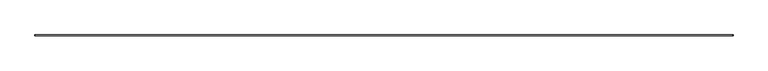
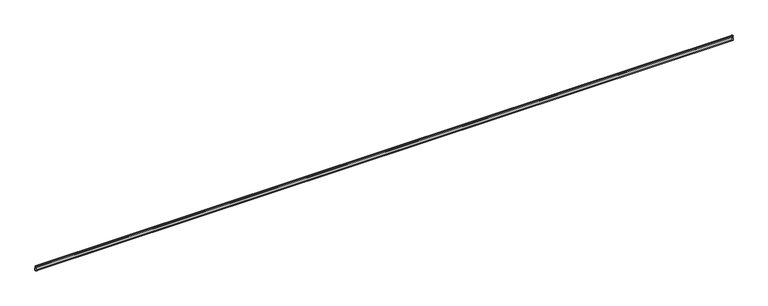
"""IFC4 building model written with IfcOpenShell, lengths in millimetres: railing geometry."""

from ifc_helpers import new_model, si_unit, frame, origin, place, context, project, spatial, polyline, circle_curve, ellipse_curve, source, transform, mapped, element, save
from ifc_brep_helpers import plane_surface, cylinder_surface, revolved_surface, advanced_brep


def railing_b92c5e37(model_context):
    return source(origin(), model_context, "Body", "AdvancedBrep", [
        advanced_brep(
        [(25093.6275934, 92138.7798369, 650.761873), (25089.4200358, 92138.7798369, 682.5854905), (25092.4530366, 92138.7798369, 688.7835358), (25075.4425121, 92138.7798369, 711.1645012), (25073.710694, 92138.7798369, 709.5835748), (25073.710694, 92138.7798369, 692.8509482), (25074.1756619, 92138.7798369, 691.7284163), (25074.8332259, 92138.7798369, 691.0708522), (25075.2981939, 92138.7798369, 689.9483203), (25075.2981939, 92138.7798369, 592.838452), (25074.8332259, 92138.7798369, 591.71592), (25074.1756619, 92138.7798369, 591.058356), (25073.710694, 92138.7798369, 589.9358241), (25073.710694, 92138.7798369, 573.1308887), (25075.2981939, 92138.7798369, 571.5433888), (25092.7606932, 92138.7798369, 571.5433888), (25094.3481932, 92138.7798369, 573.1308887), (25094.3481932, 92138.7798369, 649.4319707), (6765.7937945, 92138.7798369, 650.761873), (6765.0731947, 92138.7798369, 649.4319707), (6765.0731947, 92138.7798369, 573.1308887), (6766.6606947, 92138.7798369, 571.5433888), (6784.123194, 92138.7798369, 571.5433888), (6785.710694, 92138.7798369, 573.1308887), (6785.710694, 92138.7798369, 589.9358241), (6785.245726, 92138.7798369, 591.058356), (6784.588162, 92138.7798369, 591.71592), (6784.123194, 92138.7798369, 592.838452), (6784.123194, 92138.7798369, 689.9483203), (6784.588162, 92138.7798369, 691.0708522), (6785.245726, 92138.7798369, 691.7284163), (6785.710694, 92138.7798369, 692.8509482), (6785.710694, 92138.7798369, 709.5835748), (6783.9788758, 92138.7798369, 711.1645012), (6766.9683514, 92138.7798369, 688.7835358), (6770.0013521, 92138.7798369, 682.5854905), (25093.6275934, 92159.4904863, 650.761873), (25089.4200358, 92155.2829287, 682.5854905), (25092.4530366, 92158.3159295, 688.7835358), (25075.4425121, 92141.305405, 711.1645012), (25073.710694, 92139.5735869, 709.5835748), (25073.710694, 92139.5735869, 692.8509482), (25074.1756619, 92140.0385548, 691.7284163), (25074.8332259, 92140.6961188, 691.0708522), (25075.2981939, 92141.1610868, 689.9483203), (25075.2981939, 92141.1610868, 592.838452), (25074.8332259, 92140.6961188, 591.71592), (25074.1756619, 92140.0385548, 591.058356), (25073.710694, 92139.5735869, 589.9358241), (25073.710694, 92139.5735869, 573.1308887), (25075.2981939, 92141.1610868, 571.5433888), (25092.7606932, 92158.6235861, 571.5433888), (25094.3481932, 92160.2110861, 573.1308887), (25094.3481932, 92160.2110861, 649.4319707), (6765.7937945, 92159.4904863, 650.761873), (6770.0013521, 92155.2829287, 682.5854905), (6766.9683514, 92158.3159295, 688.7835358), (6783.9788758, 92141.305405, 711.1645012), (6785.710694, 92139.5735869, 709.5835748), (6785.710694, 92139.5735869, 692.8509482), (6785.245726, 92140.0385548, 691.7284163), (6784.588162, 92140.6961188, 691.0708522), (6784.123194, 92141.1610868, 689.9483203), (6784.123194, 92141.1610868, 592.838452), (6784.588162, 92140.6961188, 591.71592), (6785.245726, 92140.0385548, 591.058356), (6785.710694, 92139.5735869, 589.9358241), (6785.710694, 92139.5735869, 573.1308887), (6784.123194, 92141.1610868, 571.5433888), (6766.6606947, 92158.6235861, 571.5433888), (6765.0731947, 92160.2110861, 573.1308887), (6765.0731947, 92160.2110861, 649.4319707)],
        [
            (0, 1, circle_curve(frame((25105.1763879, 92138.7798369, 668.4787559), z_axis=(0.0, 1.0, 0.0), x_axis=(-0.7450310773324678, 0.0, 0.6670297548151974)), 21.1485837)),
            (1, 2, circle_curve(frame((25079.9581415, 92138.7798369, 691.0567681), z_axis=(0.0, -1.0, 0.0), x_axis=(0.9838500427193713, 0.0, -0.1789946743372308)), 12.6999995)),
            (2, 3, circle_curve(frame((25073.710694, 92138.7798369, 692.1933842), z_axis=(0.0, -1.0, 0.0), x_axis=(0.09090909090908855, 0.0, 0.9958591954639386)), 19.0499993)),
            (3, 4, circle_curve(frame((25075.2981939, 92138.7798369, 709.5835748), z_axis=(0.0, -1.0, 0.0), x_axis=(-1.0, 0.0, 0.0)), 1.5874999)),
            (4, 5),
            (5, 6, circle_curve(frame((25075.2981939, 92138.7798369, 692.8509482), z_axis=(0.0, -1.0, 0.0), x_axis=(-0.7071067811866549, 0.0, -0.7071067811864401)), 1.5874999)),
            (6, 7),
            (7, 8, circle_curve(frame((25073.710694, 92138.7798369, 689.9483203), z_axis=(0.0, 1.0, 0.0), x_axis=(1.0, 0.0, 0.0)), 1.5874999)),
            (8, 9),
            (9, 10, circle_curve(frame((25073.710694, 92138.7798369, 592.838452), z_axis=(0.0, 1.0, 0.0), x_axis=(1.0, 0.0, 0.0)), 1.5874999)),
            (10, 11),
            (11, 12, circle_curve(frame((25075.2981939, 92138.7798369, 589.9358241), z_axis=(0.0, -1.0, 0.0), x_axis=(-0.7071067811865476, 0.0, 0.7071067811865476)), 1.5874999)),
            (12, 13),
            (13, 14, circle_curve(frame((25075.2981939, 92138.7798369, 573.1308887), z_axis=(0.0, -1.0, 0.0), x_axis=(-1.0, 0.0, 0.0)), 1.5874999)),
            (14, 15),
            (15, 16, circle_curve(frame((25092.7606932, 92138.7798369, 573.1308887), z_axis=(0.0, -1.0, 0.0), x_axis=(0.0, 0.0, -1.0)), 1.5874999)),
            (16, 17),
            (17, 0, circle_curve(frame((25092.7606932, 92138.7798369, 649.4319707), z_axis=(0.0, -1.0, 0.0), x_axis=(0.5460788620485111, 0.0, 0.8377337741930926)), 1.5874999)),
            (18, 19, circle_curve(frame((6766.6606947, 92138.7798369, 649.4319707), z_axis=(0.0, -1.0, 0.0), x_axis=(-0.5460788620485111, 0.0, 0.8377337741930926)), 1.5874999)),
            (19, 20),
            (20, 21, circle_curve(frame((6766.6606947, 92138.7798369, 573.1308887), z_axis=(0.0, -1.0, 0.0), x_axis=(0.0, 0.0, -1.0)), 1.5874999)),
            (21, 22),
            (22, 23, circle_curve(frame((6784.123194, 92138.7798369, 573.1308887), z_axis=(0.0, -1.0, 0.0), x_axis=(1.0, 0.0, 0.0)), 1.5874999)),
            (23, 24),
            (24, 25, circle_curve(frame((6784.123194, 92138.7798369, 589.9358241), z_axis=(0.0, -1.0, 0.0), x_axis=(0.7071067811865476, 0.0, 0.7071067811865476)), 1.5874999)),
            (25, 26),
            (26, 27, circle_curve(frame((6785.710694, 92138.7798369, 592.838452), z_axis=(0.0, 1.0, 0.0), x_axis=(-1.0, 0.0, 0.0)), 1.5874999)),
            (27, 28),
            (28, 29, circle_curve(frame((6785.710694, 92138.7798369, 689.9483203), z_axis=(0.0, 1.0, 0.0), x_axis=(-1.0, 0.0, 0.0)), 1.5874999)),
            (29, 30),
            (30, 31, circle_curve(frame((6784.123194, 92138.7798369, 692.8509482), z_axis=(0.0, -1.0, 0.0), x_axis=(0.7071067811866549, 0.0, -0.7071067811864401)), 1.5874999)),
            (31, 32),
            (32, 33, circle_curve(frame((6784.123194, 92138.7798369, 709.5835748), z_axis=(0.0, -1.0, 0.0), x_axis=(1.0, 0.0, 0.0)), 1.5874999)),
            (33, 34, circle_curve(frame((6785.710694, 92138.7798369, 692.1933842), z_axis=(0.0, -1.0, 0.0), x_axis=(-0.09090909090908855, 0.0, 0.9958591954639386)), 19.0499993)),
            (34, 35, circle_curve(frame((6779.4632464, 92138.7798369, 691.0567681), z_axis=(0.0, -1.0, 0.0), x_axis=(-0.9838500427193713, 0.0, -0.1789946743372308)), 12.6999995)),
            (35, 18, circle_curve(frame((6754.245, 92138.7798369, 668.4787559), z_axis=(0.0, 1.0, 0.0), x_axis=(0.7450310773324678, 0.0, 0.6670297548151974)), 21.1485837)),
            (0, 36),
            (36, 37, ellipse_curve(frame((25105.1763879, 92171.0392808, 668.4787559), z_axis=(-0.7071067811865464, 0.7071067811865487, 0.0), x_axis=(0.7071067811865487, 0.7071067811865464, 0.0)), 29.9086139, 21.1485837)),
            (37, 1),
            (37, 38, ellipse_curve(frame((25079.9581415, 92145.8210344, 691.0567681), z_axis=(0.7071067811865464, -0.7071067811865487, 0.0), x_axis=(-0.7071067811865487, -0.7071067811865464, 0.0)), 17.9605116, 12.6999995)),
            (38, 2),
            (38, 39, ellipse_curve(frame((25073.710694, 92139.5735869, 692.1933842), z_axis=(0.7071067811865464, -0.7071067811865487, 0.0), x_axis=(-0.7071067811865487, -0.7071067811865464, 0.0)), 26.9407673, 19.0499993)),
            (39, 3),
            (39, 40, ellipse_curve(frame((25075.2981939, 92141.1610868, 709.5835748), z_axis=(0.7071067811865464, -0.7071067811865487, 0.0), x_axis=(-0.7071067811865487, -0.7071067811865464, 0.0)), 2.2450639, 1.5874999)),
            (40, 4),
            (40, 41),
            (41, 5),
            (41, 42, ellipse_curve(frame((25075.2981939, 92141.1610868, 692.8509482), z_axis=(0.7071067811865464, -0.7071067811865487, 0.0), x_axis=(-0.7071067811865487, -0.7071067811865464, 0.0)), 2.2450639, 1.5874999)),
            (42, 6),
            (42, 43),
            (43, 7),
            (43, 44, ellipse_curve(frame((25073.710694, 92139.5735869, 689.9483203), z_axis=(-0.7071067811865464, 0.7071067811865487, 0.0), x_axis=(0.7071067811865487, 0.7071067811865464, 0.0)), 2.2450639, 1.5874999)),
            (44, 8),
            (44, 45),
            (45, 9),
            (45, 46, ellipse_curve(frame((25073.710694, 92139.5735869, 592.838452), z_axis=(-0.7071067811865464, 0.7071067811865487, 0.0), x_axis=(0.7071067811865487, 0.7071067811865464, 0.0)), 2.2450639, 1.5874999)),
            (46, 10),
            (46, 47),
            (47, 11),
            (47, 48, ellipse_curve(frame((25075.2981939, 92141.1610868, 589.9358241), z_axis=(0.7071067811865464, -0.7071067811865487, 0.0), x_axis=(-0.7071067811865487, -0.7071067811865464, 0.0)), 2.2450639, 1.5874999)),
            (48, 12),
            (48, 49),
            (49, 13),
            (49, 50, ellipse_curve(frame((25075.2981939, 92141.1610868, 573.1308887), z_axis=(0.7071067811865464, -0.7071067811865487, 0.0), x_axis=(-0.7071067811865487, -0.7071067811865464, 0.0)), 2.2450639, 1.5874999)),
            (50, 14),
            (50, 51),
            (51, 15),
            (51, 52, ellipse_curve(frame((25092.7606932, 92158.6235861, 573.1308887), z_axis=(0.7071067811865464, -0.7071067811865487, 0.0), x_axis=(-0.7071067811865487, -0.7071067811865464, 0.0)), 2.2450639, 1.5874999)),
            (52, 16),
            (52, 53),
            (53, 17),
            (53, 36, ellipse_curve(frame((25092.7606932, 92158.6235861, 649.4319707), z_axis=(0.7071067811865464, -0.7071067811865487, 0.0), x_axis=(-0.7071067811865487, -0.7071067811865464, 0.0)), 2.2450639, 1.5874999)),
            (36, 54),
            (54, 55, ellipse_curve(frame((6754.245, 92171.0392808, 668.4787559), z_axis=(-0.7071067811865487, -0.7071067811865464, 0.0), x_axis=(-0.7071067811865464, 0.7071067811865487, 0.0)), 29.9086139, 21.1485837)),
            (55, 37),
            (55, 56, ellipse_curve(frame((6779.4632464, 92145.8210344, 691.0567681), z_axis=(0.7071067811865487, 0.7071067811865464, 0.0), x_axis=(0.7071067811865464, -0.7071067811865487, 0.0)), 17.9605116, 12.6999995)),
            (56, 38),
            (56, 57, ellipse_curve(frame((6785.710694, 92139.5735869, 692.1933842), z_axis=(0.7071067811865487, 0.7071067811865464, 0.0), x_axis=(0.7071067811865464, -0.7071067811865487, 0.0)), 26.9407673, 19.0499993)),
            (57, 39),
            (57, 58, ellipse_curve(frame((6784.123194, 92141.1610868, 709.5835748), z_axis=(0.7071067811865487, 0.7071067811865464, 0.0), x_axis=(0.7071067811865464, -0.7071067811865487, 0.0)), 2.2450639, 1.5874999)),
            (58, 40),
            (58, 59),
            (59, 41),
            (59, 60, ellipse_curve(frame((6784.123194, 92141.1610868, 692.8509482), z_axis=(0.7071067811865487, 0.7071067811865464, 0.0), x_axis=(0.7071067811865464, -0.7071067811865487, 0.0)), 2.2450639, 1.5874999)),
            (60, 42),
            (60, 61),
            (61, 43),
            (61, 62, ellipse_curve(frame((6785.710694, 92139.5735869, 689.9483203), z_axis=(-0.7071067811865487, -0.7071067811865464, 0.0), x_axis=(-0.7071067811865464, 0.7071067811865487, 0.0)), 2.2450639, 1.5874999)),
            (62, 44),
            (62, 63),
            (63, 45),
            (63, 64, ellipse_curve(frame((6785.710694, 92139.5735869, 592.838452), z_axis=(-0.7071067811865487, -0.7071067811865464, 0.0), x_axis=(-0.7071067811865464, 0.7071067811865487, 0.0)), 2.2450639, 1.5874999)),
            (64, 46),
            (64, 65),
            (65, 47),
            (65, 66, ellipse_curve(frame((6784.123194, 92141.1610868, 589.9358241), z_axis=(0.7071067811865487, 0.7071067811865464, 0.0), x_axis=(0.7071067811865464, -0.7071067811865487, 0.0)), 2.2450639, 1.5874999)),
            (66, 48),
            (66, 67),
            (67, 49),
            (67, 68, ellipse_curve(frame((6784.123194, 92141.1610868, 573.1308887), z_axis=(0.7071067811865487, 0.7071067811865464, 0.0), x_axis=(0.7071067811865464, -0.7071067811865487, 0.0)), 2.2450639, 1.5874999)),
            (68, 50),
            (68, 69),
            (69, 51),
            (69, 70, ellipse_curve(frame((6766.6606947, 92158.6235861, 573.1308887), z_axis=(0.7071067811865487, 0.7071067811865464, 0.0), x_axis=(0.7071067811865464, -0.7071067811865487, 0.0)), 2.2450639, 1.5874999)),
            (70, 52),
            (70, 71),
            (71, 53),
            (71, 54, ellipse_curve(frame((6766.6606947, 92158.6235861, 649.4319707), z_axis=(0.7071067811865487, 0.7071067811865464, 0.0), x_axis=(0.7071067811865464, -0.7071067811865487, 0.0)), 2.2450639, 1.5874999)),
            (54, 18),
            (35, 55),
            (34, 56),
            (33, 57),
            (32, 58),
            (31, 59),
            (30, 60),
            (29, 61),
            (28, 62),
            (27, 63),
            (26, 64),
            (25, 65),
            (24, 66),
            (23, 67),
            (22, 68),
            (21, 69),
            (20, 70),
            (19, 71),
        ],
        [
            plane_surface(frame((25073.710694, 92138.7798369, 711.2), z_axis=(0.0, -1.0, 0.0), x_axis=(0.0, 0.0, 1.0))),
            plane_surface(frame((6785.710694, 92138.7798369, 711.2), z_axis=(0.0, -1.0, 0.0), x_axis=(0.0, 0.0, -1.0))),
            revolved_surface(polyline([(25089.420035801933, 92192.18786450458, 682.5854905000997), (25089.420035801933, 92138.7798369, 682.5854905000997)]), (25105.1763879, 92138.7798369, 668.4787559), (0.0, 1.0, 0.0)),
            cylinder_surface(frame((25079.9581415, 92138.7798369, 691.0567681), z_axis=(0.0, -1.0, 0.0), x_axis=(0.9838500427193713, 0.0, -0.1789946743372308)), 12.6999995),
            cylinder_surface(frame((25073.710694, 92138.7798369, 692.1933842), z_axis=(0.0, -1.0, 0.0), x_axis=(0.09090909090908855, 0.0, 0.9958591954639386)), 19.0499993),
            cylinder_surface(frame((25075.2981939, 92138.7798369, 709.5835748), z_axis=(0.0, -1.0, 0.0), x_axis=(-1.0, 0.0, 0.0)), 1.5874999),
            plane_surface(frame((25073.710694, 92138.7798369, 709.5835748), z_axis=(-1.0, 0.0, 0.0), x_axis=(0.0, 1.0, 0.0))),
            cylinder_surface(frame((25075.2981939, 92138.7798369, 692.8509482), z_axis=(0.0, -1.0, 0.0), x_axis=(-0.7071067811866549, 0.0, -0.7071067811864401)), 1.5874999),
            plane_surface(frame((25074.1756619, 92138.7798369, 691.7284163), z_axis=(-0.7071067811865476, 0.0, -0.7071067811865476), x_axis=(0.0, 1.0, 0.0))),
            revolved_surface(polyline([(25075.298193900002, 92141.16108680789, 689.9483203), (25075.298193900002, 92137.98608699212, 689.9483203)]), (25073.710694, 92138.7798369, 689.9483203), (0.0, 1.0, 0.0)),
            plane_surface(frame((25075.2981939, 92138.7798369, 689.9483203), z_axis=(-1.0, 1.8189894495768044e-12, 0.0), x_axis=(1.8189894495768044e-12, 1.0, 0.0))),
            revolved_surface(polyline([(25075.298193900002, 92141.16108680789, 592.838452), (25075.298193900002, 92137.98608699212, 592.838452)]), (25073.710694, 92138.7798369, 592.838452), (0.0, 1.0, 0.0)),
            plane_surface(frame((25074.8332259, 92138.7798369, 591.71592), z_axis=(-0.7071067811868226, 1.5983090197140888e-12, 0.7071067811862725), x_axis=(2.2603502925420317e-12, 1.0, 0.0))),
            cylinder_surface(frame((25075.2981939, 92138.7798369, 589.9358241), z_axis=(0.0, -1.0000000000000002, 0.0), x_axis=(-0.7071067811865476, 0.0, 0.7071067811865476)), 1.5874999),
            plane_surface(frame((25073.710694, 92138.7798369, 589.9358241), z_axis=(-1.0, 0.0, 0.0), x_axis=(0.0, 1.0, 0.0))),
            cylinder_surface(frame((25075.2981939, 92138.7798369, 573.1308887), z_axis=(0.0, -1.0, 0.0), x_axis=(-1.0, 0.0, 0.0)), 1.5874999),
            plane_surface(frame((25075.2981939, 92138.7798369, 571.5433888), z_axis=(0.0, 0.0, -1.0), x_axis=(1.8189894495768044e-12, 1.0, 0.0))),
            cylinder_surface(frame((25092.7606932, 92138.7798369, 573.1308887), z_axis=(0.0, -1.0, 0.0), x_axis=(0.0, 0.0, -1.0)), 1.5874999),
            plane_surface(frame((25094.3481932, 92138.7798369, 573.1308887), z_axis=(1.0, 0.0, 0.0), x_axis=(0.0, 1.0, 0.0))),
            cylinder_surface(frame((25092.7606932, 92138.7798369, 649.4319707), z_axis=(0.0, -1.0000000000000002, 0.0), x_axis=(0.5460788620485111, 0.0, 0.8377337741930926)), 1.5874999),
            revolved_surface(polyline([(6733.096416295419, 92155.28292870194, 682.5854905000997), (25126.32497160458, 92155.28292870194, 682.5854905000997)]), (25073.710694, 92171.0392808, 668.4787559), (-1.0, 0.0, 0.0)),
            cylinder_surface(frame((25073.710694, 92145.8210344, 691.0567681), z_axis=(1.0, 0.0, 0.0), x_axis=(0.0, 0.9838500427193713, -0.1789946743372308)), 12.6999995),
            cylinder_surface(frame((25073.710694, 92139.5735869, 692.1933842), z_axis=(1.0, 0.0, 0.0), x_axis=(0.0, 0.09090909090908855, 0.9958591954639386)), 19.0499993),
            cylinder_surface(frame((25073.710694, 92141.1610868, 709.5835748), z_axis=(1.0, 0.0, 0.0), x_axis=(0.0, -1.0, 0.0)), 1.5874999),
            plane_surface(frame((25073.710694, 92139.5735869, 709.5835748), z_axis=(0.0, -1.0, 0.0), x_axis=(-1.0, 0.0, 0.0))),
            cylinder_surface(frame((25073.710694, 92141.1610868, 692.8509482), z_axis=(1.0, 0.0, 0.0), x_axis=(0.0, -0.7071067811866549, -0.7071067811864401)), 1.5874999),
            plane_surface(frame((25074.1756619, 92140.0385548, 691.7284163), z_axis=(0.0, -0.7071067811865476, -0.7071067811865476), x_axis=(-1.0, 0.0, 0.0))),
            revolved_surface(polyline([(6784.123194, 92141.1610868, 689.9483203), (25075.29819390789, 92141.1610868, 689.9483203)]), (25073.710694, 92139.5735869, 689.9483203), (-1.0, 0.0, 0.0)),
            plane_surface(frame((25075.2981939, 92141.1610868, 689.9483203), z_axis=(0.0, -1.0, 0.0), x_axis=(-1.0, 0.0, 0.0))),
            revolved_surface(polyline([(6784.123194, 92141.1610868, 592.838452), (25075.29819390789, 92141.1610868, 592.838452)]), (25073.710694, 92139.5735869, 592.838452), (-1.0, 0.0, 0.0)),
            plane_surface(frame((25074.8332259, 92140.6961188, 591.71592), z_axis=(0.0, -0.7071067811868226, 0.7071067811862725), x_axis=(-1.0, 0.0, 0.0))),
            cylinder_surface(frame((25073.710694, 92141.1610868, 589.9358241), z_axis=(1.0000000000000002, 0.0, 0.0), x_axis=(0.0, -0.7071067811865476, 0.7071067811865476)), 1.5874999),
            plane_surface(frame((25073.710694, 92139.5735869, 589.9358241), z_axis=(0.0, -1.0, 0.0), x_axis=(-1.0, 0.0, 0.0))),
            cylinder_surface(frame((25073.710694, 92141.1610868, 573.1308887), z_axis=(1.0, 0.0, 0.0), x_axis=(0.0, -1.0, 0.0)), 1.5874999),
            plane_surface(frame((25075.2981939, 92141.1610868, 571.5433888), z_axis=(0.0, 0.0, -1.0), x_axis=(-1.0, 0.0, 0.0))),
            cylinder_surface(frame((25073.710694, 92158.6235861, 573.1308887), z_axis=(1.0, 0.0, 0.0), x_axis=(0.0, 0.0, -1.0)), 1.5874999),
            plane_surface(frame((25094.3481932, 92160.2110861, 573.1308887), z_axis=(0.0, 1.0, 0.0), x_axis=(-1.0, 0.0, 0.0))),
            cylinder_surface(frame((25073.710694, 92158.6235861, 649.4319707), z_axis=(1.0000000000000002, 0.0, 0.0), x_axis=(0.0, 0.5460788620485111, 0.8377337741930926)), 1.5874999),
            revolved_surface(polyline([(6770.0013520980665, 92138.7798369, 682.5854905000997), (6770.0013520980665, 92192.18786450458, 682.5854905000997)]), (6754.245, 92139.5735869, 668.4787559), (0.0, -1.0, 0.0)),
            cylinder_surface(frame((6779.4632464, 92139.5735869, 691.0567681), z_axis=(0.0, 1.0, 0.0), x_axis=(-0.9838500427193713, 0.0, -0.1789946743372308)), 12.6999995),
            cylinder_surface(frame((6785.710694, 92139.5735869, 692.1933842), z_axis=(0.0, 1.0, 0.0), x_axis=(-0.09090909090908855, 0.0, 0.9958591954639386)), 19.0499993),
            cylinder_surface(frame((6784.123194, 92139.5735869, 709.5835748), z_axis=(0.0, 1.0, 0.0), x_axis=(1.0, 0.0, 0.0)), 1.5874999),
            plane_surface(frame((6785.710694, 92139.5735869, 709.5835748), z_axis=(1.0, -1.3642420526494662e-12, 0.0), x_axis=(-1.3642420526494662e-12, -1.0, 0.0))),
            cylinder_surface(frame((6784.123194, 92139.5735869, 692.8509482), z_axis=(0.0, 1.0, 0.0), x_axis=(0.7071067811866549, 0.0, -0.7071067811864401)), 1.5874999),
            plane_surface(frame((6785.245726, 92140.0385548, 691.7284163), z_axis=(0.7071067811865476, -1.824958513826688e-12, -0.7071067811865476), x_axis=(-2.5808810810219496e-12, -1.0, 0.0))),
            revolved_surface(polyline([(6784.123194100001, 92137.98608699212, 689.9483203), (6784.123194100001, 92141.16108680789, 689.9483203)]), (6785.710694, 92139.5735869, 689.9483203), (0.0, -1.0, 0.0)),
            plane_surface(frame((6784.123194, 92141.1610868, 689.9483203), z_axis=(1.0, 0.0, 0.0), x_axis=(0.0, -1.0, 0.0))),
            revolved_surface(polyline([(6784.123194100001, 92137.98608699212, 592.838452), (6784.123194100001, 92141.16108680789, 592.838452)]), (6785.710694, 92139.5735869, 592.838452), (0.0, -1.0, 0.0)),
            plane_surface(frame((6784.588162, 92140.6961188, 591.71592), z_axis=(0.7071067811868226, 0.0, 0.7071067811862725), x_axis=(0.0, -1.0, 0.0))),
            cylinder_surface(frame((6784.123194, 92139.5735869, 589.9358241), z_axis=(0.0, 1.0000000000000002, 0.0), x_axis=(0.7071067811865476, 0.0, 0.7071067811865476)), 1.5874999),
            plane_surface(frame((6785.710694, 92139.5735869, 589.9358241), z_axis=(1.0, -1.3642420526494662e-12, 0.0), x_axis=(-1.3642420526494662e-12, -1.0, 0.0))),
            cylinder_surface(frame((6784.123194, 92139.5735869, 573.1308887), z_axis=(0.0, 1.0, 0.0), x_axis=(1.0, 0.0, 0.0)), 1.5874999),
            plane_surface(frame((6784.123194, 92141.1610868, 571.5433888), z_axis=(0.0, 0.0, -1.0), x_axis=(0.0, -1.0, 0.0))),
            cylinder_surface(frame((6766.6606947, 92139.5735869, 573.1308887), z_axis=(0.0, 1.0, 0.0), x_axis=(0.0, 0.0, -1.0)), 1.5874999),
            plane_surface(frame((6765.0731947, 92160.2110861, 573.1308887), z_axis=(-1.0, 0.0, 0.0), x_axis=(0.0, -1.0, 0.0))),
            cylinder_surface(frame((6766.6606947, 92139.5735869, 649.4319707), z_axis=(0.0, 1.0000000000000002, 0.0), x_axis=(-0.5460788620485111, 0.0, 0.8377337741930926)), 1.5874999),
        ],
        [
            (0, [[1, 2, 3, 4, 5, 6, 7, 8, 9, 10, 11, 12, 13, 14, 15, 16, 17, 18]]),
            (1, [[19, 20, 21, 22, 23, 24, 25, 26, 27, 28, 29, 30, 31, 32, 33, 34, 35, 36]]),
            (2, [[-1, 37, 38, 39]]),
            (3, [[-2, -39, 40, 41]]),
            (4, [[-3, -41, 42, 43]]),
            (5, [[-4, -43, 44, 45]]),
            (6, [[-5, -45, 46, 47]]),
            (7, [[-6, -47, 48, 49]]),
            (8, [[-7, -49, 50, 51]]),
            (9, [[-8, -51, 52, 53]]),
            (10, [[-9, -53, 54, 55]]),
            (11, [[-10, -55, 56, 57]]),
            (12, [[-11, -57, 58, 59]]),
            (13, [[-12, -59, 60, 61]]),
            (14, [[-13, -61, 62, 63]]),
            (15, [[-14, -63, 64, 65]]),
            (16, [[-15, -65, 66, 67]]),
            (17, [[-16, -67, 68, 69]]),
            (18, [[-17, -69, 70, 71]]),
            (19, [[-18, -71, 72, -37]]),
            (20, [[-38, 73, 74, 75]]),
            (21, [[-40, -75, 76, 77]]),
            (22, [[-42, -77, 78, 79]]),
            (23, [[-44, -79, 80, 81]]),
            (24, [[-46, -81, 82, 83]]),
            (25, [[-48, -83, 84, 85]]),
            (26, [[-50, -85, 86, 87]]),
            (27, [[-52, -87, 88, 89]]),
            (28, [[-54, -89, 90, 91]]),
            (29, [[-56, -91, 92, 93]]),
            (30, [[-58, -93, 94, 95]]),
            (31, [[-60, -95, 96, 97]]),
            (32, [[-62, -97, 98, 99]]),
            (33, [[-64, -99, 100, 101]]),
            (34, [[-66, -101, 102, 103]]),
            (35, [[-68, -103, 104, 105]]),
            (36, [[-70, -105, 106, 107]]),
            (37, [[-72, -107, 108, -73]]),
            (38, [[-74, 109, -36, 110]]),
            (39, [[-76, -110, -35, 111]]),
            (40, [[-78, -111, -34, 112]]),
            (41, [[-80, -112, -33, 113]]),
            (42, [[-82, -113, -32, 114]]),
            (43, [[-84, -114, -31, 115]]),
            (44, [[-86, -115, -30, 116]]),
            (45, [[-88, -116, -29, 117]]),
            (46, [[-90, -117, -28, 118]]),
            (47, [[-92, -118, -27, 119]]),
            (48, [[-94, -119, -26, 120]]),
            (49, [[-96, -120, -25, 121]]),
            (50, [[-98, -121, -24, 122]]),
            (51, [[-100, -122, -23, 123]]),
            (52, [[-102, -123, -22, 124]]),
            (53, [[-104, -124, -21, 125]]),
            (54, [[-106, -125, -20, 126]]),
            (55, [[-108, -126, -19, -109]]),
        ],
    ),
    ])


if __name__ == "__main__":
    model = new_model("IFC4")
    model_context = context("Model", 3, world=origin())
    ifc_project = project(units=[si_unit("LENGTHUNIT", "METRE", prefix="MILLI")], contexts=[model_context])
    site = spatial("IfcSite", under=ifc_project)
    building = spatial("IfcBuilding", under=site)
    placement = place(None, origin())
    railing_shape = railing_b92c5e37(model_context)
    element("IfcRailing", 1, at=placement, inside=building, context=model_context, shape_type="MappedRepresentation", body=[
        mapped(railing_shape, transform((0.0, 0.0, 0.0), x_axis=(1.0, 0.0, 0.0), y_axis=(0.0, 1.0, 0.0), z_axis=(0.0, 0.0, 1.0))),
    ])
    save(model, "model.ifc")
